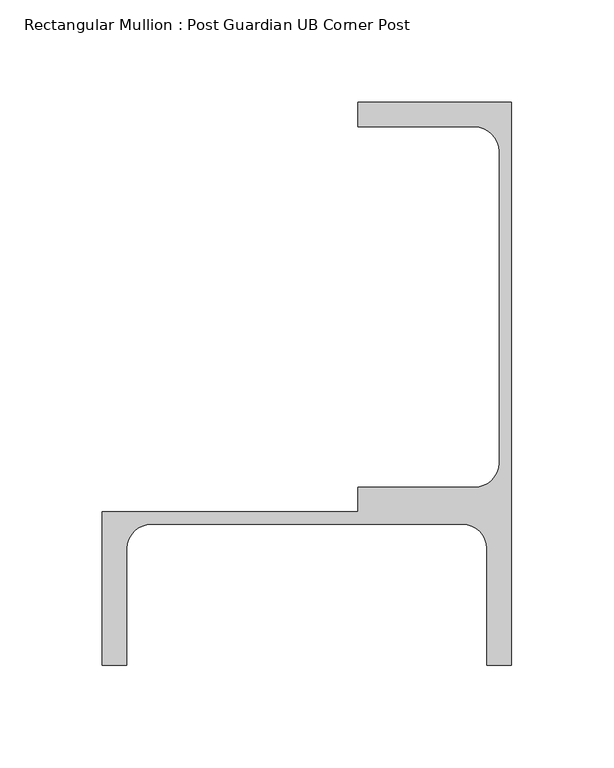
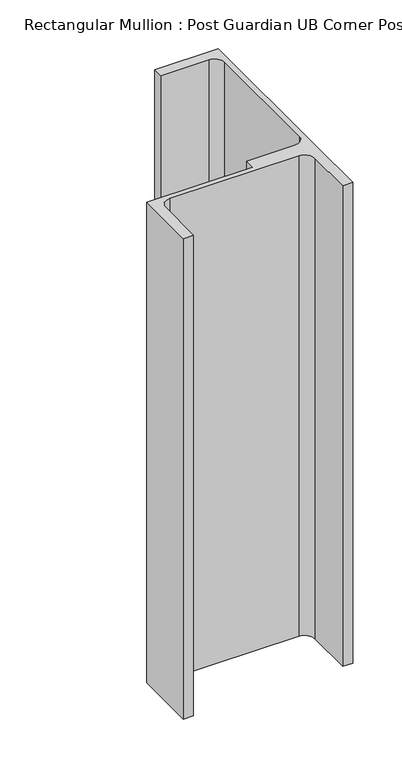
"""IFC4 building model written with IfcOpenShell, lengths in millimetres: member geometry, Rectangular Mullion : Post Guardian UB Corner Post."""

from ifc_helpers import new_model, si_unit, point, frame, frame_2d, origin, place, context, project, spatial, polyline, circle_curve, trimmed, segment, composite_curve, outline, extrude, source, transform, mapped, element, save


def rectangular_mullion_post_guardian_ub_corner_post_3cc6d2ab(model_context):
    return source(origin(), model_context, "Body", "SweptSolid", [
        extrude(outline(composite_curve([segment(trimmed(circle_curve(frame_2d((-17.999991, 76.000009)), 11.999991), [point((-6.0, 76.000009))], [point((-17.999991, 88.0))], True, "CARTESIAN"), True, "CONTINUOUS"), segment(polyline([(-17.999991, 88.0), (-75.0, 88.0), (-75.0, 100.0), (0.0, 100.0), (0.0, -100.0), (0.0, -175.0), (-12.0, -175.0), (-12.0, -117.999991)]), True, "CONTINUOUS"), segment(trimmed(circle_curve(frame_2d((-23.999991, -117.999991)), 11.999991), [point((-12.0, -117.999991))], [point((-23.999991, -106.0))], True, "CARTESIAN"), True, "CONTINUOUS"), segment(polyline([(-23.999991, -106.0), (-176.000009, -106.0)]), True, "CONTINUOUS"), segment(trimmed(circle_curve(frame_2d((-176.000009, -117.999991)), 11.999991), [point((-176.000009, -106.0))], [point((-188.0, -117.999991))], True, "CARTESIAN"), True, "CONTINUOUS"), segment(polyline([(-188.0, -117.999991), (-188.0, -175.0), (-200.0, -175.0), (-200.0, -100.0), (-75.0, -100.0), (-75.0, -88.0), (-17.999991, -88.0)]), True, "CONTINUOUS"), segment(trimmed(circle_curve(frame_2d((-17.999991, -76.000009)), 11.999991), [point((-17.999991, -88.0))], [point((-6.0, -76.000009))], True, "CARTESIAN"), True, "CONTINUOUS"), segment(polyline([(-6.0, -76.000009), (-6.0, 76.000009)]), True, "CONTINUOUS")], self_intersect=False)), frame((0.0, 0.0, -600.0), z_axis=(0.0, 0.0, 1.0), x_axis=(1.0, 0.0, 0.0)), (0.0, 0.0, 1.0), 600.0),
    ])


if __name__ == "__main__":
    model = new_model("IFC4")
    model_context = context("Model", 3, world=origin())
    ifc_project = project(units=[si_unit("LENGTHUNIT", "METRE", prefix="MILLI")], contexts=[model_context])
    site = spatial("IfcSite", under=ifc_project)
    building = spatial("IfcBuilding", under=site)
    placement = place(None, origin())
    rectangular_mullion_post_guardian_ub_corner_post_shape = rectangular_mullion_post_guardian_ub_corner_post_3cc6d2ab(model_context)
    element("IfcMember", 1, ObjectType="Rectangular Mullion : Post Guardian UB Corner Post", at=placement, inside=building, context=model_context, shape_type="MappedRepresentation", body=[
        mapped(rectangular_mullion_post_guardian_ub_corner_post_shape, transform((0.0, 0.0, 0.0), x_axis=(1.0, 0.0, 0.0), y_axis=(0.0, 1.0, 0.0), z_axis=(0.0, 0.0, 1.0))),
    ])
    save(model, "model.ifc")
